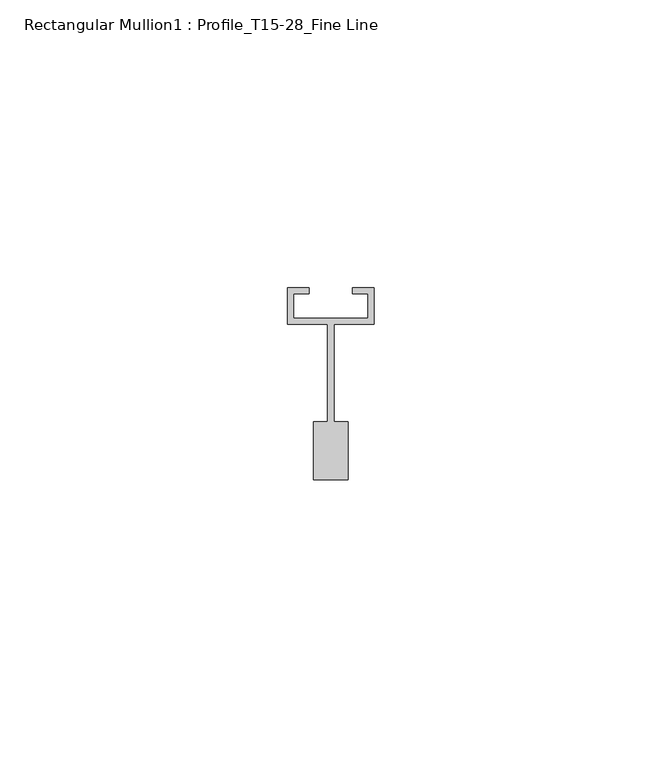
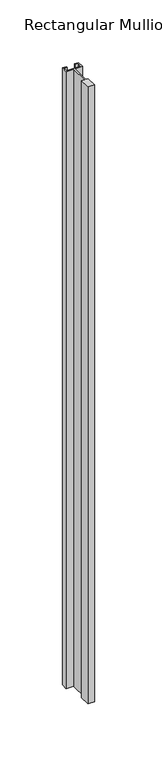
"""IFC4 building model written with IfcOpenShell, lengths in millimetres: member geometry, Rectangular Mullion1 : Profile_T15-28_Fine Line."""

from ifc_helpers import new_model, si_unit, frame, origin, place, context, project, spatial, polyline, outline, extrude, source, transform, mapped, element, save


def rectangular_mullion1_profile_t15_28_fine_line_184be673(model_context):
    return source(origin(), model_context, "Body", "SweptSolid", [
        extrude(outline(polyline([(-6.5, 2.7), (6.5, 2.7), (6.5, 7.0), (3.75, 7.0), (3.75, 8.0), (7.5, 8.0), (7.5, 1.7), (0.6, 1.7), (0.6, -15.3), (3.0, -15.3), (3.0, -25.3), (-3.0, -25.3), (-3.0, -15.3), (-0.6, -15.3), (-0.6, 1.7), (-7.5, 1.7), (-7.5, 8.0), (-3.75, 8.0), (-3.75, 7.0), (-6.5, 7.0), (-6.5, 2.7)])), frame((0.0, 0.0, -602.4999997), z_axis=(0.0, 0.0, 1.0), x_axis=(1.0, 0.0, 0.0)), (0.0, 0.0, 1.0), 602.4999997),
    ])


if __name__ == "__main__":
    model = new_model("IFC4")
    model_context = context("Model", 3, world=origin())
    ifc_project = project(units=[si_unit("LENGTHUNIT", "METRE", prefix="MILLI")], contexts=[model_context])
    site = spatial("IfcSite", under=ifc_project)
    building = spatial("IfcBuilding", under=site)
    placement = place(None, origin())
    rectangular_mullion1_profile_t15_28_fine_line_shape = rectangular_mullion1_profile_t15_28_fine_line_184be673(model_context)
    element("IfcMember", 1, ObjectType="Rectangular Mullion1 : Profile_T15-28_Fine Line", at=placement, inside=building, context=model_context, shape_type="MappedRepresentation", body=[
        mapped(rectangular_mullion1_profile_t15_28_fine_line_shape, transform((0.0, 0.0, 0.0), x_axis=(1.0, 0.0, 0.0), y_axis=(0.0, 1.0, 0.0), z_axis=(0.0, 0.0, 1.0))),
    ])
    save(model, "model.ifc")
